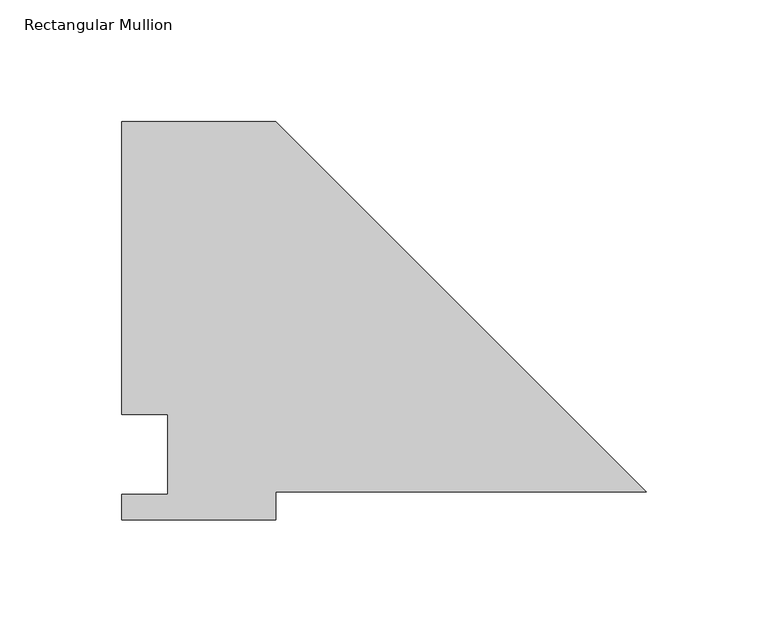
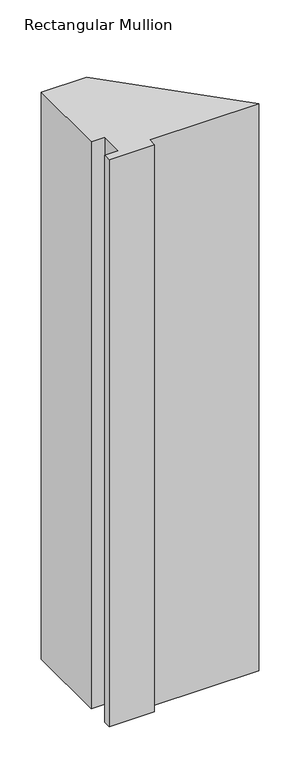
"""IFC4 building model written with IfcOpenShell, lengths in millimetres: member geometry, Rectangular Mullion."""

from ifc_helpers import new_model, si_unit, frame, origin, place, context, project, spatial, polyline, outline, extrude, source, transform, mapped, element, save


def rectangular_mullion_5be6f788(model_context):
    return source(origin(), model_context, "Body", "SweptSolid", [
        extrude(outline(polyline([(-152.4, 152.4), (0.0, 0.0), (-152.4, 0.0), (-152.4, -11.684), (-215.9, -11.684), (-215.9, -1.016), (-196.85, -1.016), (-196.85, 31.75), (-215.9, 31.75), (-215.9, 152.4), (-152.4, 152.4)])), frame((0.0, 0.0, -838.2000001), z_axis=(0.0, 0.0, 1.0), x_axis=(1.0, 0.0, 0.0)), (0.0, 0.0, 1.0), 838.2000001),
    ])


if __name__ == "__main__":
    model = new_model("IFC4")
    model_context = context("Model", 3, world=origin())
    ifc_project = project(units=[si_unit("LENGTHUNIT", "METRE", prefix="MILLI")], contexts=[model_context])
    site = spatial("IfcSite", under=ifc_project)
    building = spatial("IfcBuilding", under=site)
    placement = place(None, origin())
    rectangular_mullion_shape = rectangular_mullion_5be6f788(model_context)
    element("IfcMember", 1, ObjectType="Rectangular Mullion", at=placement, inside=building, context=model_context, shape_type="MappedRepresentation", body=[
        mapped(rectangular_mullion_shape, transform((0.0, 0.0, 0.0), x_axis=(1.0, 0.0, 0.0), y_axis=(0.0, 1.0, 0.0), z_axis=(0.0, 0.0, 1.0))),
    ])
    save(model, "model.ifc")
